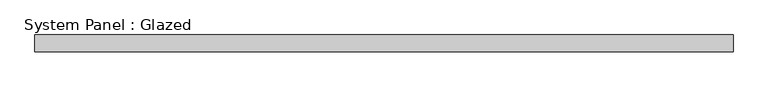
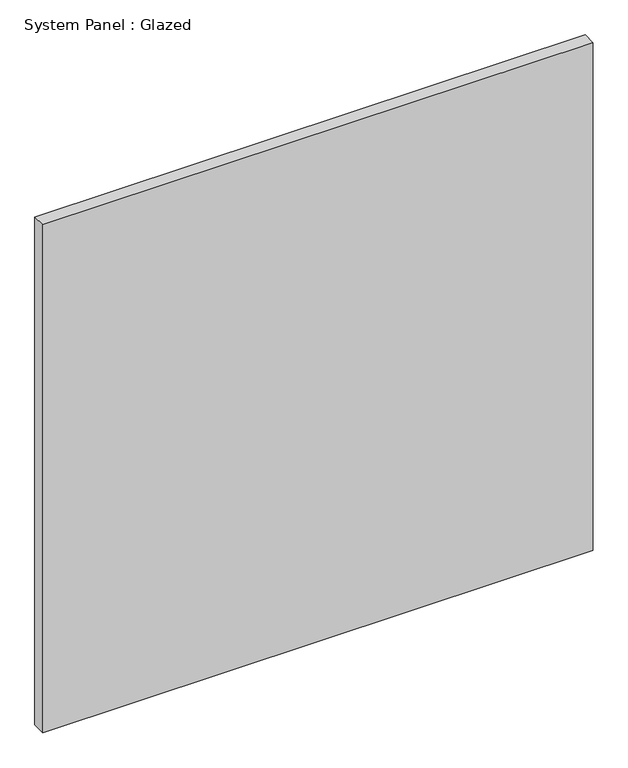
"""IFC4 building model written with IfcOpenShell, lengths in millimetres: plate geometry, System Panel : Glazed."""

from ifc_helpers import new_model, si_unit, origin, origin_with_axes, place, context, project, spatial, polyline, outline, extrude, source, transform, mapped, element, save


def system_panel_glazed_eb73d970(model_context):
    return source(origin(), model_context, "Body", "SweptSolid", [
        extrude(outline(polyline([(520.7, -12.7), (-520.7, -12.7), (-520.7, 12.7), (520.7, 12.7), (520.7, -12.7)])), origin_with_axes(), (0.0, 0.0, 1.0), 1016.0),
    ])


if __name__ == "__main__":
    model = new_model("IFC4")
    model_context = context("Model", 3, world=origin())
    ifc_project = project(units=[si_unit("LENGTHUNIT", "METRE", prefix="MILLI")], contexts=[model_context])
    site = spatial("IfcSite", under=ifc_project)
    building = spatial("IfcBuilding", under=site)
    placement = place(None, origin())
    system_panel_glazed_shape = system_panel_glazed_eb73d970(model_context)
    element("IfcPlate", 1, ObjectType="System Panel : Glazed", at=placement, inside=building, context=model_context, shape_type="MappedRepresentation", body=[
        mapped(system_panel_glazed_shape, transform((0.0, 0.0, 0.0), x_axis=(1.0, 0.0, 0.0), y_axis=(0.0, 1.0, 0.0), z_axis=(0.0, 0.0, 1.0))),
    ])
    save(model, "model.ifc")
